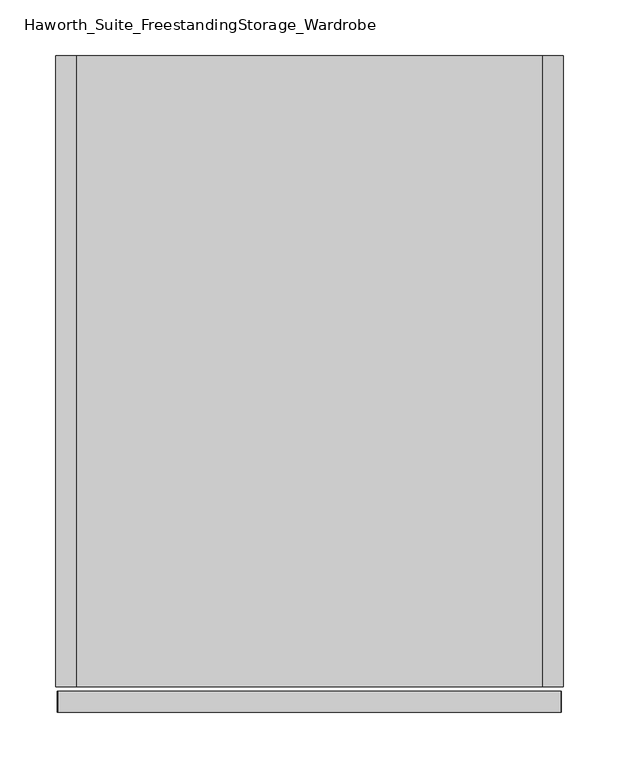
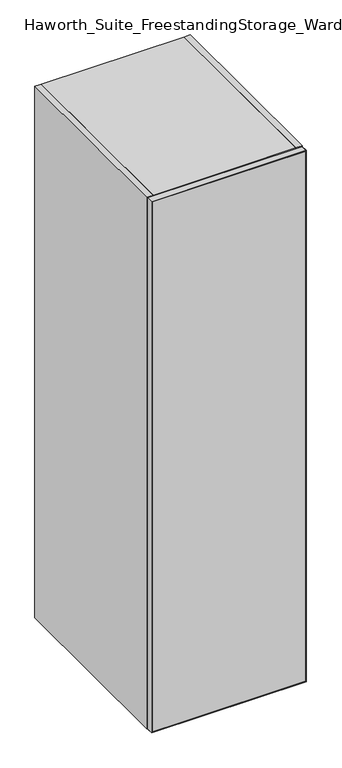
"""IFC4 building model written with IfcOpenShell, lengths in millimetres: furniture geometry, Haworth_Suite_FreestandingStorage_Wardrobe."""

import ifcopenshell
import ifcopenshell.guid

model = None  # the IFC model being written
_history = None  # IfcOwnerHistory: only IFC2X3 demands one
_inside = {}  # id of a spatial element -> (the spatial element, [elements in it])
_under = {}  # id of a project, library or spatial element -> (it, [spatial elements below it])
_declared = {}  # id of a project -> (the project, [libraries it declares])
_typed = {}  # id of a type object -> (the type object, [elements of that type])
_made_of = {}  # id of a material, layer set ... -> (it, [elements and type objects made of it])


def new_model(schema):
    """Start an empty IFC model of exactly this schema.

    Asked for "IFC4X3", IfcOpenShell would pick the latest addendum, in which some entities
    have other attributes; the version numbers below select the first issue.
    IFC2X3 requires an IfcOwnerHistory on every rooted entity: one is made here for all.
    """
    global model, _history
    if schema == "IFC4X3":
        model = ifcopenshell.file(schema_version=(4, 3, 0, 0))
    else:
        model = ifcopenshell.file(schema=schema)
    _inside.clear()
    _under.clear()
    _declared.clear()
    _typed.clear()
    _made_of.clear()
    _history = None
    if model.schema == "IFC2X3":
        org = make("IfcOrganization", Name="unknown")
        user = make(
            "IfcPersonAndOrganization",
            ThePerson=make("IfcPerson", FamilyName="unknown"),
            TheOrganization=org,
        )
        app = make(
            "IfcApplication",
            ApplicationDeveloper=org,
            Version="unknown",
            ApplicationFullName="unknown",
            ApplicationIdentifier="unknown",
        )
        _history = make(
            "IfcOwnerHistory",
            OwningUser=user,
            OwningApplication=app,
            ChangeAction="ADDED",
            CreationDate=0,
        )
    return model


def make(cls, **values):
    """One entity of the class cls with the attributes given. An attribute that is None is left unset."""
    return model.create_entity(
        cls, **{name: value for name, value in values.items() if value is not None}
    )


def rooted(cls, **values):
    """An entity with a GlobalId (a new one), such as an element, a storey or a relation."""
    return make(cls, GlobalId=ifcopenshell.guid.new(), OwnerHistory=_history, **values)


def si_unit(unit_type, name, prefix=None):
    """IfcSIUnit, for example si_unit("LENGTHUNIT", "METRE", prefix="MILLI")."""
    return make("IfcSIUnit", UnitType=unit_type, Prefix=prefix, Name=name)


def assignment(units):
    """IfcUnitAssignment: the units of a project."""
    return None if units is None else make("IfcUnitAssignment", Units=units)


def point(xyz):
    """IfcCartesianPoint."""
    return None if xyz is None else make("IfcCartesianPoint", Coordinates=xyz)


def direction(xyz):
    """IfcDirection."""
    return None if xyz is None else make("IfcDirection", DirectionRatios=xyz)


def frame(location, z_axis=None, x_axis=None):
    """IfcAxis2Placement3D, a coordinate frame: its origin and axes. An axis left out is left unset."""
    return make(
        "IfcAxis2Placement3D",
        Location=point(location),
        Axis=direction(z_axis),
        RefDirection=direction(x_axis),
    )


def frame_2d(location, x_axis=None):
    """IfcAxis2Placement2D, a coordinate frame in the plane: its origin and x axis."""
    return make(
        "IfcAxis2Placement2D", Location=point(location), RefDirection=direction(x_axis)
    )


def origin():
    """The frame at (0, 0, 0) with its axes left unset."""
    return frame((0.0, 0.0, 0.0))


def origin_with_axes():
    """The frame at (0, 0, 0) with the z axis (0, 0, 1) and the x axis (1, 0, 0) written out."""
    return frame((0.0, 0.0, 0.0), z_axis=(0.0, 0.0, 1.0), x_axis=(1.0, 0.0, 0.0))


def place(relative_to, where):
    """IfcLocalPlacement: puts the frame where relative to a parent placement (None: the world)."""
    return make(
        "IfcLocalPlacement", PlacementRelTo=relative_to, RelativePlacement=where
    )


def context(
    kind, dimensions, precision=None, world=None, true_north=None, identifier=None
):
    """IfcGeometricRepresentationContext, for example the 3D "Model" context."""
    return make(
        "IfcGeometricRepresentationContext",
        ContextIdentifier=identifier,
        ContextType=kind,
        CoordinateSpaceDimension=dimensions,
        Precision=precision,
        WorldCoordinateSystem=world,
        TrueNorth=true_north,
    )


def project(units=None, contexts=None):
    """IfcProject with its units and contexts."""
    return rooted(
        "IfcProject",
        Name="project",
        RepresentationContexts=contexts,
        UnitsInContext=assignment(units),
    )


def spatial(cls, under=None, at=None, **own):
    """A site, building, storey or space (cls), placed at a placement, below another one or the project."""
    s = rooted(cls, ObjectPlacement=at, **own)
    if under is not None:
        _under.setdefault(under.id(), (under, []))[1].append(s)
    return s


def polyline(points):
    """IfcPolyline through the points."""
    return make("IfcPolyline", Points=[point(p) for p in points])


def circle_curve(where, radius):
    """IfcCircle in the frame where."""
    return make("IfcCircle", Position=where, Radius=radius)


def trimmed(basis, trim1, trim2, sense, master):
    """IfcTrimmedCurve: the piece of a basis curve between two trims."""
    return make(
        "IfcTrimmedCurve",
        BasisCurve=basis,
        Trim1=trim1,
        Trim2=trim2,
        SenseAgreement=sense,
        MasterRepresentation=master,
    )


def segment(curve, same_sense, transition):
    """IfcCompositeCurveSegment."""
    return make(
        "IfcCompositeCurveSegment",
        Transition=transition,
        SameSense=same_sense,
        ParentCurve=curve,
    )


def composite_curve(segments, self_intersect=None):
    """IfcCompositeCurve: segments joined end to end."""
    return make("IfcCompositeCurve", Segments=segments, SelfIntersect=self_intersect)


def outline(outer, holes=None, kind="AREA"):
    """IfcArbitraryClosedProfileDef: a profile drawn as a closed curve; with holes, ...WithVoids."""
    if holes is None:
        return make("IfcArbitraryClosedProfileDef", ProfileType=kind, OuterCurve=outer)
    return make(
        "IfcArbitraryProfileDefWithVoids",
        ProfileType=kind,
        OuterCurve=outer,
        InnerCurves=holes,
    )


def extrude(swept, where, along, depth):
    """IfcExtrudedAreaSolid: the profile swept, set in the frame where, extruded along a direction by depth."""
    return make(
        "IfcExtrudedAreaSolid",
        SweptArea=swept,
        Position=where,
        ExtrudedDirection=direction(along),
        Depth=depth,
    )


def shape(context_of_items, identifier, shape_type, items):
    """IfcShapeRepresentation: the items that make up one representation, for example the "Body"."""
    return make(
        "IfcShapeRepresentation",
        ContextOfItems=context_of_items,
        RepresentationIdentifier=identifier,
        RepresentationType=shape_type,
        Items=items,
    )


def source(mapping_origin, context_of_items, identifier, shape_type, items):
    """IfcRepresentationMap: a shape defined once, which mapped items show again and again."""
    return make(
        "IfcRepresentationMap",
        MappingOrigin=mapping_origin,
        MappedRepresentation=shape(context_of_items, identifier, shape_type, items),
    )


def transform(
    local_origin,
    x_axis=None,
    y_axis=None,
    z_axis=None,
    scale=None,
    scale2=None,
    scale3=None,
    uniform=True,
):
    """IfcCartesianTransformationOperator3D, or its non-uniform kind. x_axis, y_axis, z_axis: its Axis1, 2, 3."""
    if uniform:
        return make(
            "IfcCartesianTransformationOperator3D",
            Axis1=direction(x_axis),
            Axis2=direction(y_axis),
            LocalOrigin=point(local_origin),
            Scale=scale,
            Axis3=direction(z_axis),
        )
    return make(
        "IfcCartesianTransformationOperator3DnonUniform",
        Axis1=direction(x_axis),
        Axis2=direction(y_axis),
        LocalOrigin=point(local_origin),
        Scale=scale,
        Axis3=direction(z_axis),
        Scale2=scale2,
        Scale3=scale3,
    )


def mapped(mapping_source, mapping_target):
    """IfcMappedItem: shows the shape of a source again, moved by a transform."""
    return make(
        "IfcMappedItem", MappingSource=mapping_source, MappingTarget=mapping_target
    )


def made_of(thing, what):
    """Note that an element or type object is made of a material, layer set ...; save() writes the relation."""
    if what is not None:
        _made_of.setdefault(what.id(), (what, []))[1].append(thing)
    return thing


def element(
    cls,
    number,
    at=None,
    inside=None,
    cuts=None,
    type_object=None,
    material=None,
    context=None,
    identifier="Body",
    shape_type=None,
    held_by="IfcProductDefinitionShape",
    body=None,
    shapes=None,
    **own,
):
    """One element of the class cls, such as IfcWall. Its Tag is "e" and its number.

    at: its placement. inside: the storey or other place that contains it. cuts: it is an
    opening in that element (IfcRelVoidsElement). A single representation is given by context,
    identifier, shape_type and body (its items); several are given by shapes. held_by: the class
    of the entity that holds the representations. save() writes the other relations.
    """
    e = rooted(cls, Tag="e%d" % number, ObjectPlacement=at, **own)
    if body is not None:
        shapes = [shape(context, identifier, shape_type, body)]
    if shapes is not None:
        e.Representation = make(held_by, Representations=shapes)
    if inside is not None:
        _inside.setdefault(inside.id(), (inside, []))[1].append(e)
    if cuts is not None:
        rooted(
            "IfcRelVoidsElement", RelatingBuildingElement=cuts, RelatedOpeningElement=e
        )
    if type_object is not None:
        _typed.setdefault(type_object.id(), (type_object, []))[1].append(e)
    return made_of(e, material)


def aggregate(whole, parts):
    """IfcRelAggregates: a whole, such as a stair, and the parts it consists of."""
    return rooted("IfcRelAggregates", RelatingObject=whole, RelatedObjects=parts)


def save(model, path):
    """Write the relations noted so far, then the file.

    IfcRelAggregates (storeys below a building ...), IfcRelContainedInSpatialStructure (elements
    in a storey), IfcRelDefinesByType, IfcRelAssociatesMaterial and IfcRelDeclares: one each for
    every whole, place, type object, material and project.
    """
    for whole, parts in _under.values():
        aggregate(whole, parts)
    for where, things in _inside.values():
        rooted(
            "IfcRelContainedInSpatialStructure",
            RelatedElements=things,
            RelatingStructure=where,
        )
    for kind, things in _typed.values():
        rooted("IfcRelDefinesByType", RelatedObjects=things, RelatingType=kind)
    for what, things in _made_of.values():
        rooted("IfcRelAssociatesMaterial", RelatedObjects=things, RelatingMaterial=what)
    for by, libraries in _declared.values():
        rooted("IfcRelDeclares", RelatingContext=by, RelatedDefinitions=libraries)
    model.write(path)


def haworth_suite_freestandingstorage_wardrobe_dca6b59d(model_context):
    return source(origin(), model_context, "Body", "SweptSolid", [
        extrude(outline(polyline([(1651.0, 442.9125), (1649.4125, 441.325), (1.5875, 441.325), (0.0, 442.9125), (1651.0, 442.9125)])), frame((0.0, -419.89375, 0.0), z_axis=(0.0, 1.0, 0.0), x_axis=(0.0, 0.0, 1.0)), (0.0, 0.0, 1.0), 19.05),
        extrude(outline(polyline([(1651.0, -11.1125), (0.0, -11.1125), (1.5875, -9.525), (1649.4125, -9.525), (1651.0, -11.1125)])), frame((0.0, -419.89375, 0.0), z_axis=(0.0, 1.0, 0.0), x_axis=(0.0, 0.0, 1.0)), (0.0, 0.0, 1.0), 19.05),
        extrude(outline(polyline([(1649.4125, 441.325), (1651.0, 442.9125), (1651.0, -11.1125), (1649.4125, -9.525), (1649.4125, 441.325)])), frame((0.0, -419.89375, 0.0), z_axis=(0.0, 1.0, 0.0), x_axis=(0.0, 0.0, 1.0)), (0.0, 0.0, 1.0), 19.05),
        extrude(outline(polyline([(1.5875, 441.325), (1.5875, -9.525), (0.0, -11.1125), (0.0, 442.9125), (1.5875, 441.325)])), frame((0.0, -419.89375, 0.0), z_axis=(0.0, 1.0, 0.0), x_axis=(0.0, 0.0, 1.0)), (0.0, 0.0, 1.0), 19.05),
        extrude(outline(polyline([(-9.525, -401.6375), (441.325, -401.6375), (441.325, -419.1), (-9.525, -419.1), (-9.525, -401.6375)])), frame((0.0, 0.0, 1.5875), z_axis=(0.0, 0.0, 1.0), x_axis=(1.0, 0.0, 0.0)), (0.0, 0.0, 1.0), 1647.825),
        extrude(outline(composite_curve([segment(trimmed(circle_curve(frame_2d((-123.825, 1524.0)), 12.7), [point((-136.525, 1524.0))], [point((-111.125, 1524.0))], False, "CARTESIAN"), True, "CONTINUOUS"), segment(trimmed(circle_curve(frame_2d((-123.825, 1524.0)), 12.7), [point((-111.125, 1524.0))], [point((-136.525, 1524.0))], False, "CARTESIAN"), True, "CONTINUOUS")], self_intersect=False)), frame((6.35, 0.0, 0.0), z_axis=(1.0, 0.0, 0.0), x_axis=(0.0, 1.0, 0.0)), (0.0, 0.0, 1.0), 419.1),
        extrude(outline(polyline([(425.45, 171.45), (425.45, -396.875), (6.35, -396.875), (6.35, 171.45), (425.45, 171.45)])), frame((0.0, 0.0, 1631.95), z_axis=(0.0, 0.0, 1.0), x_axis=(1.0, 0.0, 0.0)), (0.0, 0.0, 1.0), 19.05),
        extrude(outline(polyline([(425.45, 171.45), (425.45, 152.4), (6.35, 152.4), (6.35, 171.45), (425.45, 171.45)])), origin_with_axes(), (0.0, 0.0, 1.0), 1631.95),
        extrude(outline(polyline([(425.45, 152.4), (425.45, -396.875), (6.35, -396.875), (6.35, 152.4), (425.45, 152.4)])), origin_with_axes(), (0.0, 0.0, 1.0), 38.1),
        extrude(outline(polyline([(6.35, 171.45), (6.35, -396.875), (-12.7, -396.875), (-12.7, 171.45), (6.35, 171.45)])), origin_with_axes(), (0.0, 0.0, 1.0), 1651.0),
        extrude(outline(polyline([(444.5, -396.875), (425.45, -396.875), (425.45, 171.45), (444.5, 171.45), (444.5, -396.875)])), origin_with_axes(), (0.0, 0.0, 1.0), 1651.0),
    ])


if __name__ == "__main__":
    model = new_model("IFC4")
    model_context = context("Model", 3, world=origin())
    ifc_project = project(units=[si_unit("LENGTHUNIT", "METRE", prefix="MILLI")], contexts=[model_context])
    site = spatial("IfcSite", under=ifc_project)
    building = spatial("IfcBuilding", under=site)
    placement = place(None, origin())
    haworth_suite_freestandingstorage_wardrobe_shape = haworth_suite_freestandingstorage_wardrobe_dca6b59d(model_context)
    element("IfcFurniture", 1, ObjectType="Haworth_Suite_FreestandingStorage_Wardrobe", at=placement, inside=building, context=model_context, shape_type="MappedRepresentation", body=[
        mapped(haworth_suite_freestandingstorage_wardrobe_shape, transform((0.0, 0.0, 0.0), x_axis=(1.0, 0.0, 0.0), y_axis=(0.0, 1.0, 0.0), z_axis=(0.0, 0.0, 1.0))),
    ])
    save(model, "model.ifc")
